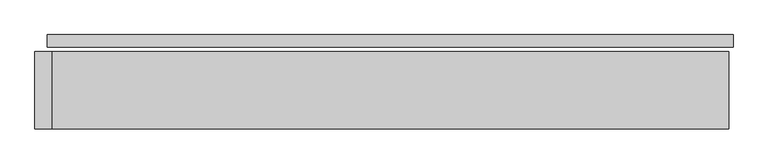
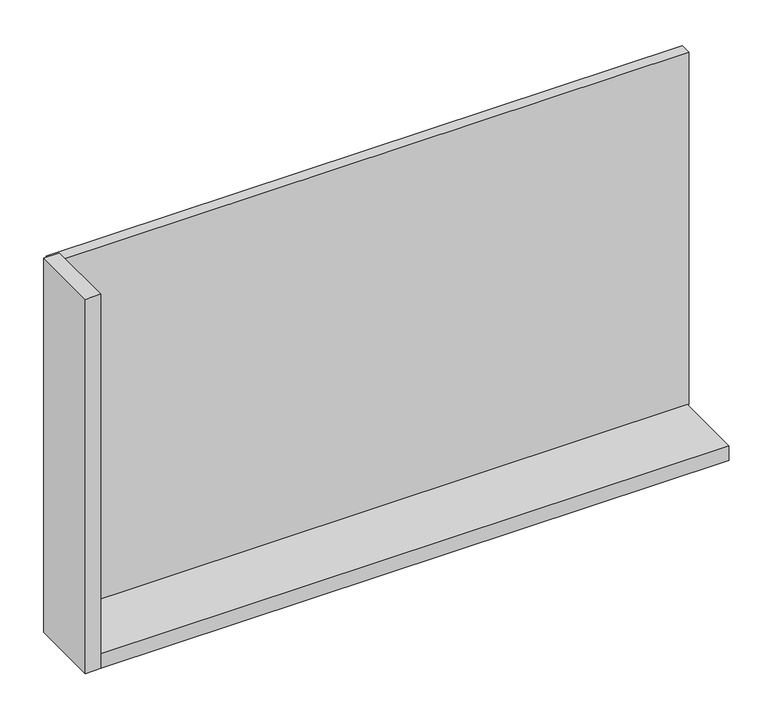
"""IFC4 building model written with IfcOpenShell, lengths in millimetres: plate geometry."""

from ifc_helpers import new_model, si_unit, frame, origin, origin_with_axes, place, context, project, spatial, polyline, outline, extrude, source, transform, mapped, element, save


def plate_ddfaf404(model_context):
    return source(origin(), model_context, "Body", "SweptSolid", [
        extrude(outline(polyline([(1235.0, 0.0), (1235.0, -44.0), (-1235.0, -44.0), (-1235.0, 0.0), (1235.0, 0.0)])), origin_with_axes(), (0.0, 0.0, 1.0), 1447.534293),
        extrude(outline(polyline([(-1220.0, -60.0), (-1220.0, -340.0), (-1280.0, -340.0), (-1280.0, -60.0), (-1220.0, -60.0)])), frame((0.0, 0.0, -45.0), z_axis=(0.0, 0.0, 1.0), x_axis=(1.0, 0.0, 0.0)), (0.0, 0.0, 1.0), 1537.534293),
        extrude(outline(polyline([(1220.0, -340.0), (-1220.0, -340.0), (-1220.0, -60.0), (1220.0, -60.0), (1220.0, -340.0)])), frame((0.0, 0.0, -45.0), z_axis=(0.0, 0.0, 1.0), x_axis=(1.0, 0.0, 0.0)), (0.0, 0.0, 1.0), 60.0),
    ])


if __name__ == "__main__":
    model = new_model("IFC4")
    model_context = context("Model", 3, world=origin())
    ifc_project = project(units=[si_unit("LENGTHUNIT", "METRE", prefix="MILLI")], contexts=[model_context])
    site = spatial("IfcSite", under=ifc_project)
    building = spatial("IfcBuilding", under=site)
    placement = place(None, origin())
    plate_shape = plate_ddfaf404(model_context)
    element("IfcPlate", 1, at=placement, inside=building, context=model_context, shape_type="MappedRepresentation", body=[
        mapped(plate_shape, transform((0.0, 0.0, 0.0), x_axis=(1.0, 0.0, 0.0), y_axis=(0.0, 1.0, 0.0), z_axis=(0.0, 0.0, 1.0))),
    ])
    save(model, "model.ifc")
